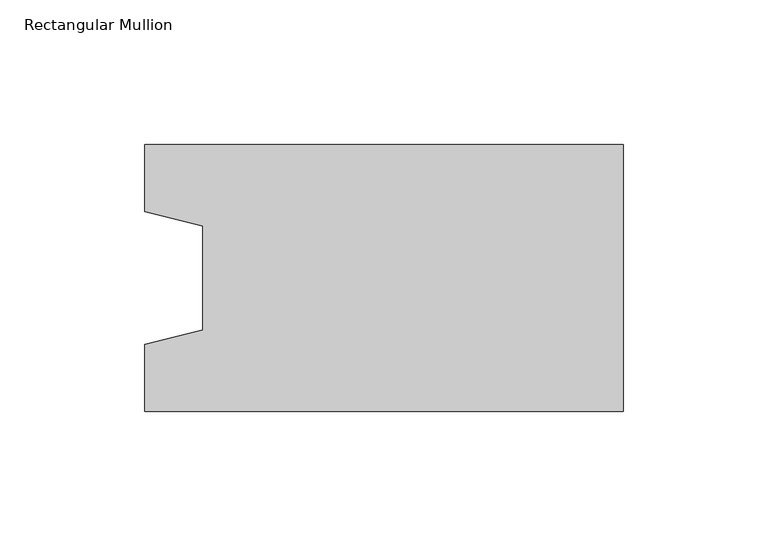
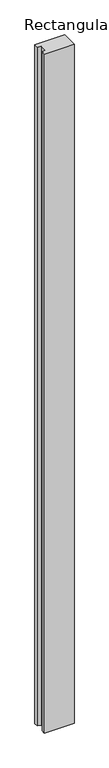
"""IFC4 building model written with IfcOpenShell, lengths in millimetres: column geometry, Rectangular Mullion."""

from ifc_helpers import new_model, si_unit, frame, origin, place, context, project, spatial, polyline, outline, extrude, source, transform, mapped, element, save


def rectangular_mullion_2b2bdb94(model_context):
    return source(origin(), model_context, "Body", "SweptSolid", [
        extrude(outline(polyline([(-165.0, -46.0), (-165.0, -23.0), (-145.0, -18.0), (-145.0, 18.0), (-165.0, 23.0), (-165.0, 46.0), (0.0, 46.0), (0.0, -46.0), (-165.0, -46.0)])), frame((0.0, 0.0, -4000.0), z_axis=(0.0, 0.0, 1.0), x_axis=(1.0, 0.0, 0.0)), (0.0, 0.0, 1.0), 4000.0),
    ])


if __name__ == "__main__":
    model = new_model("IFC4")
    model_context = context("Model", 3, world=origin())
    ifc_project = project(units=[si_unit("LENGTHUNIT", "METRE", prefix="MILLI")], contexts=[model_context])
    site = spatial("IfcSite", under=ifc_project)
    building = spatial("IfcBuilding", under=site)
    placement = place(None, origin())
    rectangular_mullion_shape = rectangular_mullion_2b2bdb94(model_context)
    element("IfcColumn", 1, ObjectType="Rectangular Mullion", at=placement, inside=building, context=model_context, shape_type="MappedRepresentation", body=[
        mapped(rectangular_mullion_shape, transform((0.0, 0.0, 0.0), x_axis=(1.0, 0.0, 0.0), y_axis=(0.0, 1.0, 0.0), z_axis=(0.0, 0.0, 1.0))),
    ])
    save(model, "model.ifc")
